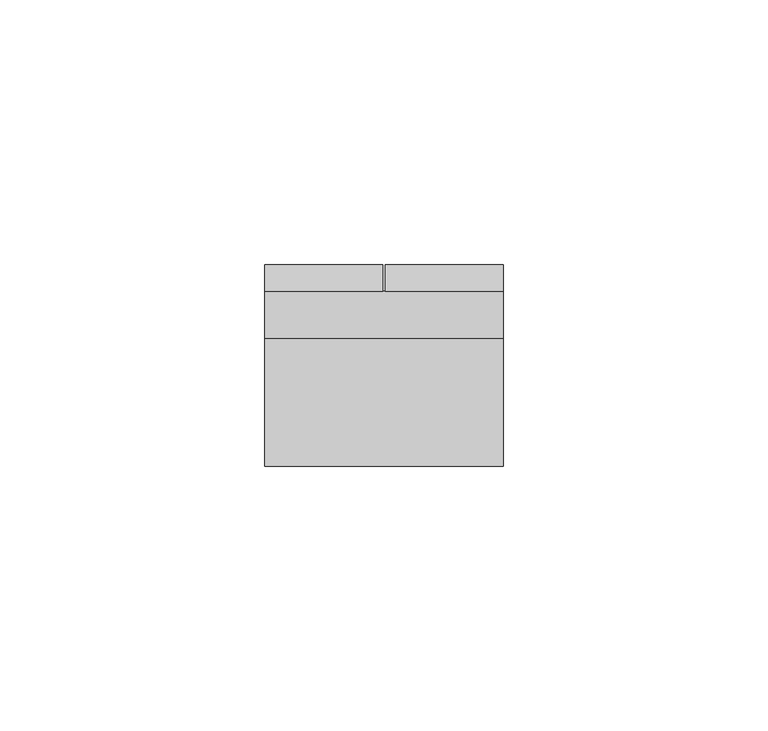
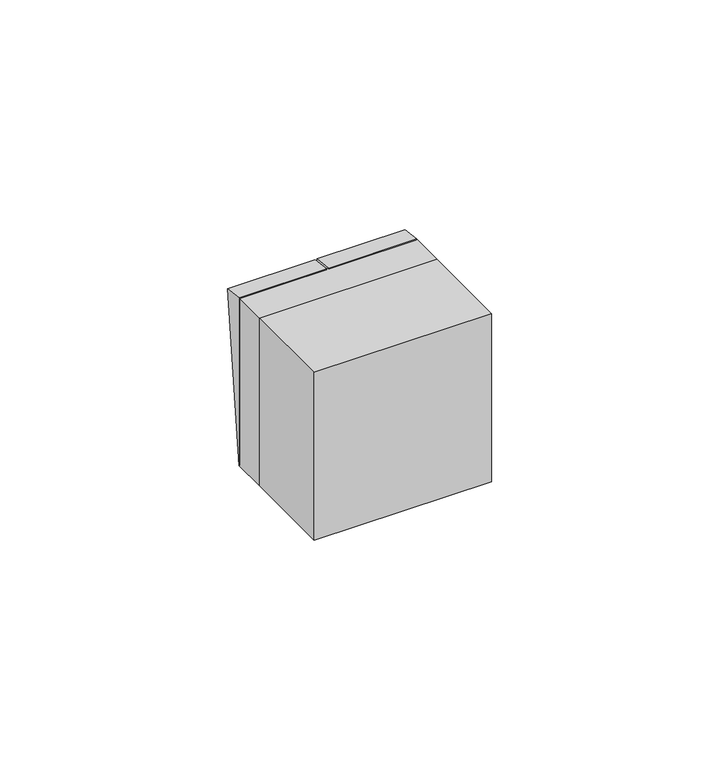
"""IFC4 building model written with IfcOpenShell, lengths in millimetres: switching device geometry."""

import ifcopenshell
import ifcopenshell.guid

model = None  # the IFC model being written
_history = None  # IfcOwnerHistory: only IFC2X3 demands one
_inside = {}  # id of a spatial element -> (the spatial element, [elements in it])
_under = {}  # id of a project, library or spatial element -> (it, [spatial elements below it])
_declared = {}  # id of a project -> (the project, [libraries it declares])
_typed = {}  # id of a type object -> (the type object, [elements of that type])
_made_of = {}  # id of a material, layer set ... -> (it, [elements and type objects made of it])


def new_model(schema):
    """Start an empty IFC model of exactly this schema.

    Asked for "IFC4X3", IfcOpenShell would pick the latest addendum, in which some entities
    have other attributes; the version numbers below select the first issue.
    IFC2X3 requires an IfcOwnerHistory on every rooted entity: one is made here for all.
    """
    global model, _history
    if schema == "IFC4X3":
        model = ifcopenshell.file(schema_version=(4, 3, 0, 0))
    else:
        model = ifcopenshell.file(schema=schema)
    _inside.clear()
    _under.clear()
    _declared.clear()
    _typed.clear()
    _made_of.clear()
    _history = None
    if model.schema == "IFC2X3":
        org = make("IfcOrganization", Name="unknown")
        user = make(
            "IfcPersonAndOrganization",
            ThePerson=make("IfcPerson", FamilyName="unknown"),
            TheOrganization=org,
        )
        app = make(
            "IfcApplication",
            ApplicationDeveloper=org,
            Version="unknown",
            ApplicationFullName="unknown",
            ApplicationIdentifier="unknown",
        )
        _history = make(
            "IfcOwnerHistory",
            OwningUser=user,
            OwningApplication=app,
            ChangeAction="ADDED",
            CreationDate=0,
        )
    return model


def make(cls, **values):
    """One entity of the class cls with the attributes given. An attribute that is None is left unset."""
    return model.create_entity(
        cls, **{name: value for name, value in values.items() if value is not None}
    )


def rooted(cls, **values):
    """An entity with a GlobalId (a new one), such as an element, a storey or a relation."""
    return make(cls, GlobalId=ifcopenshell.guid.new(), OwnerHistory=_history, **values)


def si_unit(unit_type, name, prefix=None):
    """IfcSIUnit, for example si_unit("LENGTHUNIT", "METRE", prefix="MILLI")."""
    return make("IfcSIUnit", UnitType=unit_type, Prefix=prefix, Name=name)


def assignment(units):
    """IfcUnitAssignment: the units of a project."""
    return None if units is None else make("IfcUnitAssignment", Units=units)


def point(xyz):
    """IfcCartesianPoint."""
    return None if xyz is None else make("IfcCartesianPoint", Coordinates=xyz)


def direction(xyz):
    """IfcDirection."""
    return None if xyz is None else make("IfcDirection", DirectionRatios=xyz)


def frame(location, z_axis=None, x_axis=None):
    """IfcAxis2Placement3D, a coordinate frame: its origin and axes. An axis left out is left unset."""
    return make(
        "IfcAxis2Placement3D",
        Location=point(location),
        Axis=direction(z_axis),
        RefDirection=direction(x_axis),
    )


def origin():
    """The frame at (0, 0, 0) with its axes left unset."""
    return frame((0.0, 0.0, 0.0))


def place(relative_to, where):
    """IfcLocalPlacement: puts the frame where relative to a parent placement (None: the world)."""
    return make(
        "IfcLocalPlacement", PlacementRelTo=relative_to, RelativePlacement=where
    )


def context(
    kind, dimensions, precision=None, world=None, true_north=None, identifier=None
):
    """IfcGeometricRepresentationContext, for example the 3D "Model" context."""
    return make(
        "IfcGeometricRepresentationContext",
        ContextIdentifier=identifier,
        ContextType=kind,
        CoordinateSpaceDimension=dimensions,
        Precision=precision,
        WorldCoordinateSystem=world,
        TrueNorth=true_north,
    )


def project(units=None, contexts=None):
    """IfcProject with its units and contexts."""
    return rooted(
        "IfcProject",
        Name="project",
        RepresentationContexts=contexts,
        UnitsInContext=assignment(units),
    )


def spatial(cls, under=None, at=None, **own):
    """A site, building, storey or space (cls), placed at a placement, below another one or the project."""
    s = rooted(cls, ObjectPlacement=at, **own)
    if under is not None:
        _under.setdefault(under.id(), (under, []))[1].append(s)
    return s


def polyline(points):
    """IfcPolyline through the points."""
    return make("IfcPolyline", Points=[point(p) for p in points])


def outline(outer, holes=None, kind="AREA"):
    """IfcArbitraryClosedProfileDef: a profile drawn as a closed curve; with holes, ...WithVoids."""
    if holes is None:
        return make("IfcArbitraryClosedProfileDef", ProfileType=kind, OuterCurve=outer)
    return make(
        "IfcArbitraryProfileDefWithVoids",
        ProfileType=kind,
        OuterCurve=outer,
        InnerCurves=holes,
    )


def extrude(swept, where, along, depth):
    """IfcExtrudedAreaSolid: the profile swept, set in the frame where, extruded along a direction by depth."""
    return make(
        "IfcExtrudedAreaSolid",
        SweptArea=swept,
        Position=where,
        ExtrudedDirection=direction(along),
        Depth=depth,
    )


def faces_of(points, faces, orient=None, outer=None):
    """IfcFace entities. A face is a list of loops; a loop is a list of indices into points, from 0.

    orient and outer hold one flag for each loop. By default every Orientation is true, the
    first loop of a face is its IfcFaceOuterBound and the others are IfcFaceBound.
    """
    made = []
    for i, loops in enumerate(faces):
        bounds = []
        for j, loop in enumerate(loops):
            is_outer = j == 0 if outer is None else outer[i][j]
            bounds.append(
                make(
                    "IfcFaceOuterBound" if is_outer else "IfcFaceBound",
                    Bound=make("IfcPolyLoop", Polygon=[points[k] for k in loop]),
                    Orientation=True if orient is None else orient[i][j],
                )
            )
        made.append(make("IfcFace", Bounds=bounds))
    return made


def faceted_brep(points, faces, orient=None, outer=None, voids=None):
    """IfcFacetedBrep: a solid bounded by flat faces; with voids (closed shells), ...WithVoids."""
    shared = [point(p) for p in points]
    hull = make("IfcClosedShell", CfsFaces=faces_of(shared, faces, orient, outer))
    if voids is None:
        return make("IfcFacetedBrep", Outer=hull)
    return make(
        "IfcFacetedBrepWithVoids",
        Outer=hull,
        Voids=[
            make(cls, CfsFaces=faces_of(shared, fs, o, b)) for cls, fs, o, b in voids
        ],
    )


def shape(context_of_items, identifier, shape_type, items):
    """IfcShapeRepresentation: the items that make up one representation, for example the "Body"."""
    return make(
        "IfcShapeRepresentation",
        ContextOfItems=context_of_items,
        RepresentationIdentifier=identifier,
        RepresentationType=shape_type,
        Items=items,
    )


def source(mapping_origin, context_of_items, identifier, shape_type, items):
    """IfcRepresentationMap: a shape defined once, which mapped items show again and again."""
    return make(
        "IfcRepresentationMap",
        MappingOrigin=mapping_origin,
        MappedRepresentation=shape(context_of_items, identifier, shape_type, items),
    )


def transform(
    local_origin,
    x_axis=None,
    y_axis=None,
    z_axis=None,
    scale=None,
    scale2=None,
    scale3=None,
    uniform=True,
):
    """IfcCartesianTransformationOperator3D, or its non-uniform kind. x_axis, y_axis, z_axis: its Axis1, 2, 3."""
    if uniform:
        return make(
            "IfcCartesianTransformationOperator3D",
            Axis1=direction(x_axis),
            Axis2=direction(y_axis),
            LocalOrigin=point(local_origin),
            Scale=scale,
            Axis3=direction(z_axis),
        )
    return make(
        "IfcCartesianTransformationOperator3DnonUniform",
        Axis1=direction(x_axis),
        Axis2=direction(y_axis),
        LocalOrigin=point(local_origin),
        Scale=scale,
        Axis3=direction(z_axis),
        Scale2=scale2,
        Scale3=scale3,
    )


def mapped(mapping_source, mapping_target):
    """IfcMappedItem: shows the shape of a source again, moved by a transform."""
    return make(
        "IfcMappedItem", MappingSource=mapping_source, MappingTarget=mapping_target
    )


def made_of(thing, what):
    """Note that an element or type object is made of a material, layer set ...; save() writes the relation."""
    if what is not None:
        _made_of.setdefault(what.id(), (what, []))[1].append(thing)
    return thing


def element(
    cls,
    number,
    at=None,
    inside=None,
    cuts=None,
    type_object=None,
    material=None,
    context=None,
    identifier="Body",
    shape_type=None,
    held_by="IfcProductDefinitionShape",
    body=None,
    shapes=None,
    **own,
):
    """One element of the class cls, such as IfcWall. Its Tag is "e" and its number.

    at: its placement. inside: the storey or other place that contains it. cuts: it is an
    opening in that element (IfcRelVoidsElement). A single representation is given by context,
    identifier, shape_type and body (its items); several are given by shapes. held_by: the class
    of the entity that holds the representations. save() writes the other relations.
    """
    e = rooted(cls, Tag="e%d" % number, ObjectPlacement=at, **own)
    if body is not None:
        shapes = [shape(context, identifier, shape_type, body)]
    if shapes is not None:
        e.Representation = make(held_by, Representations=shapes)
    if inside is not None:
        _inside.setdefault(inside.id(), (inside, []))[1].append(e)
    if cuts is not None:
        rooted(
            "IfcRelVoidsElement", RelatingBuildingElement=cuts, RelatedOpeningElement=e
        )
    if type_object is not None:
        _typed.setdefault(type_object.id(), (type_object, []))[1].append(e)
    return made_of(e, material)


def aggregate(whole, parts):
    """IfcRelAggregates: a whole, such as a stair, and the parts it consists of."""
    return rooted("IfcRelAggregates", RelatingObject=whole, RelatedObjects=parts)


def save(model, path):
    """Write the relations noted so far, then the file.

    IfcRelAggregates (storeys below a building ...), IfcRelContainedInSpatialStructure (elements
    in a storey), IfcRelDefinesByType, IfcRelAssociatesMaterial and IfcRelDeclares: one each for
    every whole, place, type object, material and project.
    """
    for whole, parts in _under.values():
        aggregate(whole, parts)
    for where, things in _inside.values():
        rooted(
            "IfcRelContainedInSpatialStructure",
            RelatedElements=things,
            RelatingStructure=where,
        )
    for kind, things in _typed.values():
        rooted("IfcRelDefinesByType", RelatedObjects=things, RelatingType=kind)
    for what, things in _made_of.values():
        rooted("IfcRelAssociatesMaterial", RelatedObjects=things, RelatingMaterial=what)
    for by, libraries in _declared.values():
        rooted("IfcRelDeclares", RelatingContext=by, RelatedDefinitions=libraries)
    model.write(path)


def switching_device_1d766942(model_context):
    return source(origin(), model_context, "Body", "SolidModel", [
        extrude(outline(polyline([(0.0, -2.0), (0.0, 0.0), (0.9999999, 0.0), (0.9999999, -2.0), (0.0, -2.0)])), frame((4.0, 11.2452249, -2.4844182), z_axis=(0.0, 0.11147470448260181, 0.9937672716790973), x_axis=(0.0, -0.9937672716790973, 0.11147470448260181)), (0.0, 0.0, 1.0), 5.0),
        faceted_brep([(22.5, 9.0, -22.5), (22.5, 13.9850961, 21.9408026), (22.5, 9.0, 22.5), (0.25, 9.0, -22.5), (0.25, 9.0, 22.5), (0.25, 13.9850961, 21.9408026), (4.0, 11.2452249, -2.4844182), (4.0, 11.8025985, 2.4844182), (2.0, 11.8025985, 2.4844182), (2.0, 11.2452249, -2.4844182), (4.0, 10.2514577, -2.3729435), (2.0, 10.2514577, -2.3729435), (2.0, 10.8088312, 2.5958929), (4.0, 10.8088312, 2.5958929)], [[[0, 1, 2]], [[3, 4, 5]], [[1, 0, 3, 5], [6, 7, 8, 9]], [[2, 1, 5, 4]], [[0, 2, 4, 3]], [[10, 11, 12, 13]], [[10, 13, 7, 6]], [[13, 12, 8, 7]], [[12, 11, 9, 8]], [[11, 10, 6, 9]]]),
        faceted_brep([(-0.25, 9.0, -22.5), (-0.25, 13.9850961, 21.9408026), (-0.25, 9.0, 22.5), (-22.5, 9.0, -22.5), (-22.5, 9.0, 22.5), (-22.5, 13.9850961, 21.9408026), (-2.0, 11.2452249, -2.4844182), (-2.0, 11.8025985, 2.4844182), (-4.0, 11.8025985, 2.4844182), (-4.0, 11.2452249, -2.4844182), (-2.0, 10.2514577, -2.3729435), (-4.0, 10.2514577, -2.3729435), (-4.0, 10.8088312, 2.5958929), (-2.0, 10.8088312, 2.5958929)], [[[0, 1, 2]], [[3, 4, 5]], [[1, 0, 3, 5], [6, 7, 8, 9]], [[2, 1, 5, 4]], [[0, 2, 4, 3]], [[10, 11, 12, 13]], [[10, 13, 7, 6]], [[13, 12, 8, 7]], [[12, 11, 9, 8]], [[11, 10, 6, 9]]]),
        extrude(outline(polyline([(0.0, -2.0), (0.0, 0.0), (0.9999999, 0.0), (0.9999999, -2.0), (0.0, -2.0)])), frame((-2.0, 11.2452249, -2.4844182), z_axis=(0.0, 0.11147470448260181, 0.9937672716790973), x_axis=(0.0, -0.9937672716790973, 0.11147470448260181)), (0.0, 0.0, 1.0), 5.0),
        extrude(outline(polyline([(22.5, -24.0), (-22.5, -24.0), (-22.5, 0.0), (22.5, 0.0), (22.5, -24.0)])), frame((0.0, 0.0, -22.5), z_axis=(0.0, 0.0, 1.0), x_axis=(1.0, 0.0, 0.0)), (0.0, 0.0, 1.0), 45.0),
        extrude(outline(polyline([(22.5, 0.0), (-22.5, 0.0), (-22.5, 9.0), (22.5, 9.0), (22.5, 0.0)])), frame((0.0, 0.0, -22.5), z_axis=(0.0, 0.0, 1.0), x_axis=(1.0, 0.0, 0.0)), (0.0, 0.0, 1.0), 45.0),
    ])


if __name__ == "__main__":
    model = new_model("IFC4")
    model_context = context("Model", 3, world=origin())
    ifc_project = project(units=[si_unit("LENGTHUNIT", "METRE", prefix="MILLI")], contexts=[model_context])
    site = spatial("IfcSite", under=ifc_project)
    building = spatial("IfcBuilding", under=site)
    placement = place(None, origin())
    switching_device_shape = switching_device_1d766942(model_context)
    element("IfcSwitchingDevice", 1, at=placement, inside=building, context=model_context, shape_type="MappedRepresentation", body=[
        mapped(switching_device_shape, transform((0.0, 0.0, 0.0), x_axis=(1.0, 0.0, 0.0), y_axis=(0.0, 1.0, 0.0), z_axis=(0.0, 0.0, 1.0))),
    ])
    save(model, "model.ifc")
